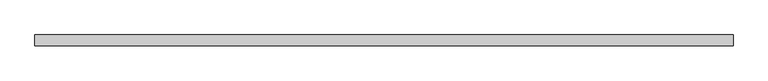
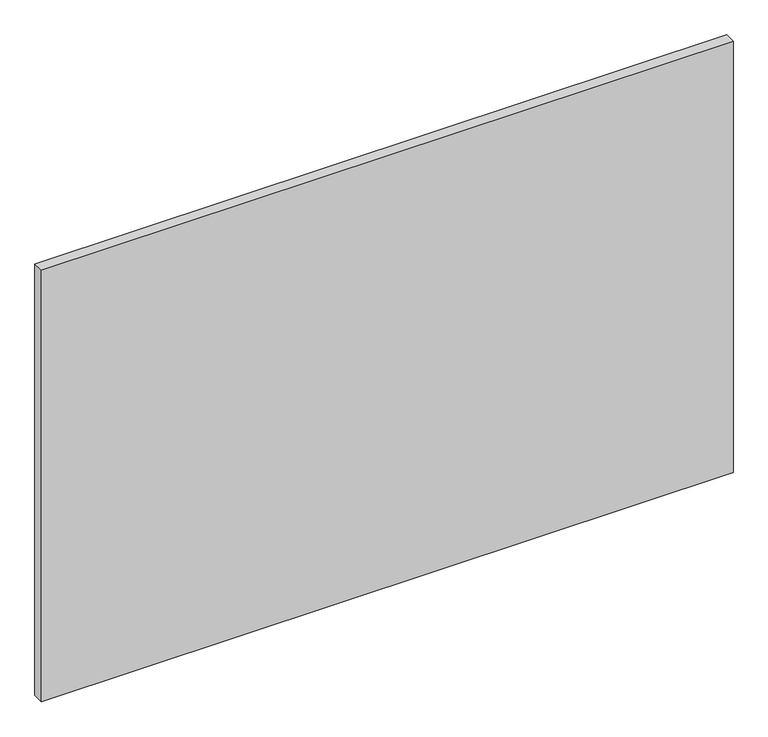
"""IFC4 building model written with IfcOpenShell, lengths in millimetres: proxy geometry."""

import ifcopenshell
import ifcopenshell.guid

model = None  # the IFC model being written
_history = None  # IfcOwnerHistory: only IFC2X3 demands one
_inside = {}  # id of a spatial element -> (the spatial element, [elements in it])
_under = {}  # id of a project, library or spatial element -> (it, [spatial elements below it])
_declared = {}  # id of a project -> (the project, [libraries it declares])
_typed = {}  # id of a type object -> (the type object, [elements of that type])
_made_of = {}  # id of a material, layer set ... -> (it, [elements and type objects made of it])


def new_model(schema):
    """Start an empty IFC model of exactly this schema.

    Asked for "IFC4X3", IfcOpenShell would pick the latest addendum, in which some entities
    have other attributes; the version numbers below select the first issue.
    IFC2X3 requires an IfcOwnerHistory on every rooted entity: one is made here for all.
    """
    global model, _history
    if schema == "IFC4X3":
        model = ifcopenshell.file(schema_version=(4, 3, 0, 0))
    else:
        model = ifcopenshell.file(schema=schema)
    _inside.clear()
    _under.clear()
    _declared.clear()
    _typed.clear()
    _made_of.clear()
    _history = None
    if model.schema == "IFC2X3":
        org = make("IfcOrganization", Name="unknown")
        user = make(
            "IfcPersonAndOrganization",
            ThePerson=make("IfcPerson", FamilyName="unknown"),
            TheOrganization=org,
        )
        app = make(
            "IfcApplication",
            ApplicationDeveloper=org,
            Version="unknown",
            ApplicationFullName="unknown",
            ApplicationIdentifier="unknown",
        )
        _history = make(
            "IfcOwnerHistory",
            OwningUser=user,
            OwningApplication=app,
            ChangeAction="ADDED",
            CreationDate=0,
        )
    return model


def make(cls, **values):
    """One entity of the class cls with the attributes given. An attribute that is None is left unset."""
    return model.create_entity(
        cls, **{name: value for name, value in values.items() if value is not None}
    )


def rooted(cls, **values):
    """An entity with a GlobalId (a new one), such as an element, a storey or a relation."""
    return make(cls, GlobalId=ifcopenshell.guid.new(), OwnerHistory=_history, **values)


def si_unit(unit_type, name, prefix=None):
    """IfcSIUnit, for example si_unit("LENGTHUNIT", "METRE", prefix="MILLI")."""
    return make("IfcSIUnit", UnitType=unit_type, Prefix=prefix, Name=name)


def assignment(units):
    """IfcUnitAssignment: the units of a project."""
    return None if units is None else make("IfcUnitAssignment", Units=units)


def point(xyz):
    """IfcCartesianPoint."""
    return None if xyz is None else make("IfcCartesianPoint", Coordinates=xyz)


def direction(xyz):
    """IfcDirection."""
    return None if xyz is None else make("IfcDirection", DirectionRatios=xyz)


def frame(location, z_axis=None, x_axis=None):
    """IfcAxis2Placement3D, a coordinate frame: its origin and axes. An axis left out is left unset."""
    return make(
        "IfcAxis2Placement3D",
        Location=point(location),
        Axis=direction(z_axis),
        RefDirection=direction(x_axis),
    )


def origin():
    """The frame at (0, 0, 0) with its axes left unset."""
    return frame((0.0, 0.0, 0.0))


def place(relative_to, where):
    """IfcLocalPlacement: puts the frame where relative to a parent placement (None: the world)."""
    return make(
        "IfcLocalPlacement", PlacementRelTo=relative_to, RelativePlacement=where
    )


def context(
    kind, dimensions, precision=None, world=None, true_north=None, identifier=None
):
    """IfcGeometricRepresentationContext, for example the 3D "Model" context."""
    return make(
        "IfcGeometricRepresentationContext",
        ContextIdentifier=identifier,
        ContextType=kind,
        CoordinateSpaceDimension=dimensions,
        Precision=precision,
        WorldCoordinateSystem=world,
        TrueNorth=true_north,
    )


def project(units=None, contexts=None):
    """IfcProject with its units and contexts."""
    return rooted(
        "IfcProject",
        Name="project",
        RepresentationContexts=contexts,
        UnitsInContext=assignment(units),
    )


def spatial(cls, under=None, at=None, **own):
    """A site, building, storey or space (cls), placed at a placement, below another one or the project."""
    s = rooted(cls, ObjectPlacement=at, **own)
    if under is not None:
        _under.setdefault(under.id(), (under, []))[1].append(s)
    return s


def polyline(points):
    """IfcPolyline through the points."""
    return make("IfcPolyline", Points=[point(p) for p in points])


def outline(outer, holes=None, kind="AREA"):
    """IfcArbitraryClosedProfileDef: a profile drawn as a closed curve; with holes, ...WithVoids."""
    if holes is None:
        return make("IfcArbitraryClosedProfileDef", ProfileType=kind, OuterCurve=outer)
    return make(
        "IfcArbitraryProfileDefWithVoids",
        ProfileType=kind,
        OuterCurve=outer,
        InnerCurves=holes,
    )


def extrude(swept, where, along, depth):
    """IfcExtrudedAreaSolid: the profile swept, set in the frame where, extruded along a direction by depth."""
    return make(
        "IfcExtrudedAreaSolid",
        SweptArea=swept,
        Position=where,
        ExtrudedDirection=direction(along),
        Depth=depth,
    )


def shape(context_of_items, identifier, shape_type, items):
    """IfcShapeRepresentation: the items that make up one representation, for example the "Body"."""
    return make(
        "IfcShapeRepresentation",
        ContextOfItems=context_of_items,
        RepresentationIdentifier=identifier,
        RepresentationType=shape_type,
        Items=items,
    )


def source(mapping_origin, context_of_items, identifier, shape_type, items):
    """IfcRepresentationMap: a shape defined once, which mapped items show again and again."""
    return make(
        "IfcRepresentationMap",
        MappingOrigin=mapping_origin,
        MappedRepresentation=shape(context_of_items, identifier, shape_type, items),
    )


def transform(
    local_origin,
    x_axis=None,
    y_axis=None,
    z_axis=None,
    scale=None,
    scale2=None,
    scale3=None,
    uniform=True,
):
    """IfcCartesianTransformationOperator3D, or its non-uniform kind. x_axis, y_axis, z_axis: its Axis1, 2, 3."""
    if uniform:
        return make(
            "IfcCartesianTransformationOperator3D",
            Axis1=direction(x_axis),
            Axis2=direction(y_axis),
            LocalOrigin=point(local_origin),
            Scale=scale,
            Axis3=direction(z_axis),
        )
    return make(
        "IfcCartesianTransformationOperator3DnonUniform",
        Axis1=direction(x_axis),
        Axis2=direction(y_axis),
        LocalOrigin=point(local_origin),
        Scale=scale,
        Axis3=direction(z_axis),
        Scale2=scale2,
        Scale3=scale3,
    )


def mapped(mapping_source, mapping_target):
    """IfcMappedItem: shows the shape of a source again, moved by a transform."""
    return make(
        "IfcMappedItem", MappingSource=mapping_source, MappingTarget=mapping_target
    )


def made_of(thing, what):
    """Note that an element or type object is made of a material, layer set ...; save() writes the relation."""
    if what is not None:
        _made_of.setdefault(what.id(), (what, []))[1].append(thing)
    return thing


def element(
    cls,
    number,
    at=None,
    inside=None,
    cuts=None,
    type_object=None,
    material=None,
    context=None,
    identifier="Body",
    shape_type=None,
    held_by="IfcProductDefinitionShape",
    body=None,
    shapes=None,
    **own,
):
    """One element of the class cls, such as IfcWall. Its Tag is "e" and its number.

    at: its placement. inside: the storey or other place that contains it. cuts: it is an
    opening in that element (IfcRelVoidsElement). A single representation is given by context,
    identifier, shape_type and body (its items); several are given by shapes. held_by: the class
    of the entity that holds the representations. save() writes the other relations.
    """
    e = rooted(cls, Tag="e%d" % number, ObjectPlacement=at, **own)
    if body is not None:
        shapes = [shape(context, identifier, shape_type, body)]
    if shapes is not None:
        e.Representation = make(held_by, Representations=shapes)
    if inside is not None:
        _inside.setdefault(inside.id(), (inside, []))[1].append(e)
    if cuts is not None:
        rooted(
            "IfcRelVoidsElement", RelatingBuildingElement=cuts, RelatedOpeningElement=e
        )
    if type_object is not None:
        _typed.setdefault(type_object.id(), (type_object, []))[1].append(e)
    return made_of(e, material)


def aggregate(whole, parts):
    """IfcRelAggregates: a whole, such as a stair, and the parts it consists of."""
    return rooted("IfcRelAggregates", RelatingObject=whole, RelatedObjects=parts)


def save(model, path):
    """Write the relations noted so far, then the file.

    IfcRelAggregates (storeys below a building ...), IfcRelContainedInSpatialStructure (elements
    in a storey), IfcRelDefinesByType, IfcRelAssociatesMaterial and IfcRelDeclares: one each for
    every whole, place, type object, material and project.
    """
    for whole, parts in _under.values():
        aggregate(whole, parts)
    for where, things in _inside.values():
        rooted(
            "IfcRelContainedInSpatialStructure",
            RelatedElements=things,
            RelatingStructure=where,
        )
    for kind, things in _typed.values():
        rooted("IfcRelDefinesByType", RelatedObjects=things, RelatingType=kind)
    for what, things in _made_of.values():
        rooted("IfcRelAssociatesMaterial", RelatedObjects=things, RelatingMaterial=what)
    for by, libraries in _declared.values():
        rooted("IfcRelDeclares", RelatingContext=by, RelatedDefinitions=libraries)
    model.write(path)


def specialty_equipment_a179d84e(model_context):
    return source(origin(), model_context, "Body", "SweptSolid", [
        extrude(outline(polyline([(603.2666441, 0.0), (-603.2666441, 0.0), (-603.2666441, 19.05), (603.2666441, 19.05), (603.2666441, 0.0)])), frame((0.0, 0.0, 3.175), z_axis=(0.0, 0.0, 1.0), x_axis=(1.0, 0.0, 0.0)), (0.0, 0.0, 1.0), 796.0868001),
    ])


if __name__ == "__main__":
    model = new_model("IFC4")
    model_context = context("Model", 3, world=origin())
    ifc_project = project(units=[si_unit("LENGTHUNIT", "METRE", prefix="MILLI")], contexts=[model_context])
    site = spatial("IfcSite", under=ifc_project)
    building = spatial("IfcBuilding", under=site)
    placement = place(None, origin())
    specialty_equipment_shape = specialty_equipment_a179d84e(model_context)
    element("IfcBuildingElementProxy", 1, Name="Specialty Equipment", at=placement, inside=building, context=model_context, shape_type="MappedRepresentation", body=[
        mapped(specialty_equipment_shape, transform((0.0, 0.0, 0.0), x_axis=(1.0, 0.0, 0.0), y_axis=(0.0, 1.0, 0.0), z_axis=(0.0, 0.0, 1.0))),
    ])
    save(model, "model.ifc")
